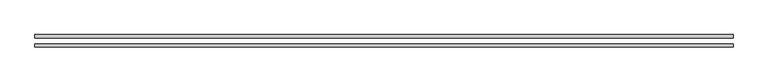
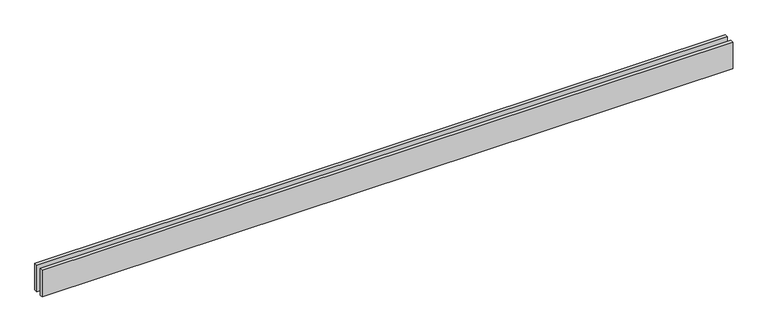
"""IFC4 building model written with IfcOpenShell, lengths in millimetres: proxy geometry."""

import ifcopenshell
import ifcopenshell.guid

model = None  # the IFC model being written
_history = None  # IfcOwnerHistory: only IFC2X3 demands one
_inside = {}  # id of a spatial element -> (the spatial element, [elements in it])
_under = {}  # id of a project, library or spatial element -> (it, [spatial elements below it])
_declared = {}  # id of a project -> (the project, [libraries it declares])
_typed = {}  # id of a type object -> (the type object, [elements of that type])
_made_of = {}  # id of a material, layer set ... -> (it, [elements and type objects made of it])


def new_model(schema):
    """Start an empty IFC model of exactly this schema.

    Asked for "IFC4X3", IfcOpenShell would pick the latest addendum, in which some entities
    have other attributes; the version numbers below select the first issue.
    IFC2X3 requires an IfcOwnerHistory on every rooted entity: one is made here for all.
    """
    global model, _history
    if schema == "IFC4X3":
        model = ifcopenshell.file(schema_version=(4, 3, 0, 0))
    else:
        model = ifcopenshell.file(schema=schema)
    _inside.clear()
    _under.clear()
    _declared.clear()
    _typed.clear()
    _made_of.clear()
    _history = None
    if model.schema == "IFC2X3":
        org = make("IfcOrganization", Name="unknown")
        user = make(
            "IfcPersonAndOrganization",
            ThePerson=make("IfcPerson", FamilyName="unknown"),
            TheOrganization=org,
        )
        app = make(
            "IfcApplication",
            ApplicationDeveloper=org,
            Version="unknown",
            ApplicationFullName="unknown",
            ApplicationIdentifier="unknown",
        )
        _history = make(
            "IfcOwnerHistory",
            OwningUser=user,
            OwningApplication=app,
            ChangeAction="ADDED",
            CreationDate=0,
        )
    return model


def make(cls, **values):
    """One entity of the class cls with the attributes given. An attribute that is None is left unset."""
    return model.create_entity(
        cls, **{name: value for name, value in values.items() if value is not None}
    )


def rooted(cls, **values):
    """An entity with a GlobalId (a new one), such as an element, a storey or a relation."""
    return make(cls, GlobalId=ifcopenshell.guid.new(), OwnerHistory=_history, **values)


def si_unit(unit_type, name, prefix=None):
    """IfcSIUnit, for example si_unit("LENGTHUNIT", "METRE", prefix="MILLI")."""
    return make("IfcSIUnit", UnitType=unit_type, Prefix=prefix, Name=name)


def assignment(units):
    """IfcUnitAssignment: the units of a project."""
    return None if units is None else make("IfcUnitAssignment", Units=units)


def point(xyz):
    """IfcCartesianPoint."""
    return None if xyz is None else make("IfcCartesianPoint", Coordinates=xyz)


def direction(xyz):
    """IfcDirection."""
    return None if xyz is None else make("IfcDirection", DirectionRatios=xyz)


def frame(location, z_axis=None, x_axis=None):
    """IfcAxis2Placement3D, a coordinate frame: its origin and axes. An axis left out is left unset."""
    return make(
        "IfcAxis2Placement3D",
        Location=point(location),
        Axis=direction(z_axis),
        RefDirection=direction(x_axis),
    )


def origin():
    """The frame at (0, 0, 0) with its axes left unset."""
    return frame((0.0, 0.0, 0.0))


def origin_with_axes():
    """The frame at (0, 0, 0) with the z axis (0, 0, 1) and the x axis (1, 0, 0) written out."""
    return frame((0.0, 0.0, 0.0), z_axis=(0.0, 0.0, 1.0), x_axis=(1.0, 0.0, 0.0))


def place(relative_to, where):
    """IfcLocalPlacement: puts the frame where relative to a parent placement (None: the world)."""
    return make(
        "IfcLocalPlacement", PlacementRelTo=relative_to, RelativePlacement=where
    )


def context(
    kind, dimensions, precision=None, world=None, true_north=None, identifier=None
):
    """IfcGeometricRepresentationContext, for example the 3D "Model" context."""
    return make(
        "IfcGeometricRepresentationContext",
        ContextIdentifier=identifier,
        ContextType=kind,
        CoordinateSpaceDimension=dimensions,
        Precision=precision,
        WorldCoordinateSystem=world,
        TrueNorth=true_north,
    )


def project(units=None, contexts=None):
    """IfcProject with its units and contexts."""
    return rooted(
        "IfcProject",
        Name="project",
        RepresentationContexts=contexts,
        UnitsInContext=assignment(units),
    )


def spatial(cls, under=None, at=None, **own):
    """A site, building, storey or space (cls), placed at a placement, below another one or the project."""
    s = rooted(cls, ObjectPlacement=at, **own)
    if under is not None:
        _under.setdefault(under.id(), (under, []))[1].append(s)
    return s


def polyline(points):
    """IfcPolyline through the points."""
    return make("IfcPolyline", Points=[point(p) for p in points])


def outline(outer, holes=None, kind="AREA"):
    """IfcArbitraryClosedProfileDef: a profile drawn as a closed curve; with holes, ...WithVoids."""
    if holes is None:
        return make("IfcArbitraryClosedProfileDef", ProfileType=kind, OuterCurve=outer)
    return make(
        "IfcArbitraryProfileDefWithVoids",
        ProfileType=kind,
        OuterCurve=outer,
        InnerCurves=holes,
    )


def extrude(swept, where, along, depth):
    """IfcExtrudedAreaSolid: the profile swept, set in the frame where, extruded along a direction by depth."""
    return make(
        "IfcExtrudedAreaSolid",
        SweptArea=swept,
        Position=where,
        ExtrudedDirection=direction(along),
        Depth=depth,
    )


def shape(context_of_items, identifier, shape_type, items):
    """IfcShapeRepresentation: the items that make up one representation, for example the "Body"."""
    return make(
        "IfcShapeRepresentation",
        ContextOfItems=context_of_items,
        RepresentationIdentifier=identifier,
        RepresentationType=shape_type,
        Items=items,
    )


def source(mapping_origin, context_of_items, identifier, shape_type, items):
    """IfcRepresentationMap: a shape defined once, which mapped items show again and again."""
    return make(
        "IfcRepresentationMap",
        MappingOrigin=mapping_origin,
        MappedRepresentation=shape(context_of_items, identifier, shape_type, items),
    )


def transform(
    local_origin,
    x_axis=None,
    y_axis=None,
    z_axis=None,
    scale=None,
    scale2=None,
    scale3=None,
    uniform=True,
):
    """IfcCartesianTransformationOperator3D, or its non-uniform kind. x_axis, y_axis, z_axis: its Axis1, 2, 3."""
    if uniform:
        return make(
            "IfcCartesianTransformationOperator3D",
            Axis1=direction(x_axis),
            Axis2=direction(y_axis),
            LocalOrigin=point(local_origin),
            Scale=scale,
            Axis3=direction(z_axis),
        )
    return make(
        "IfcCartesianTransformationOperator3DnonUniform",
        Axis1=direction(x_axis),
        Axis2=direction(y_axis),
        LocalOrigin=point(local_origin),
        Scale=scale,
        Axis3=direction(z_axis),
        Scale2=scale2,
        Scale3=scale3,
    )


def mapped(mapping_source, mapping_target):
    """IfcMappedItem: shows the shape of a source again, moved by a transform."""
    return make(
        "IfcMappedItem", MappingSource=mapping_source, MappingTarget=mapping_target
    )


def made_of(thing, what):
    """Note that an element or type object is made of a material, layer set ...; save() writes the relation."""
    if what is not None:
        _made_of.setdefault(what.id(), (what, []))[1].append(thing)
    return thing


def element(
    cls,
    number,
    at=None,
    inside=None,
    cuts=None,
    type_object=None,
    material=None,
    context=None,
    identifier="Body",
    shape_type=None,
    held_by="IfcProductDefinitionShape",
    body=None,
    shapes=None,
    **own,
):
    """One element of the class cls, such as IfcWall. Its Tag is "e" and its number.

    at: its placement. inside: the storey or other place that contains it. cuts: it is an
    opening in that element (IfcRelVoidsElement). A single representation is given by context,
    identifier, shape_type and body (its items); several are given by shapes. held_by: the class
    of the entity that holds the representations. save() writes the other relations.
    """
    e = rooted(cls, Tag="e%d" % number, ObjectPlacement=at, **own)
    if body is not None:
        shapes = [shape(context, identifier, shape_type, body)]
    if shapes is not None:
        e.Representation = make(held_by, Representations=shapes)
    if inside is not None:
        _inside.setdefault(inside.id(), (inside, []))[1].append(e)
    if cuts is not None:
        rooted(
            "IfcRelVoidsElement", RelatingBuildingElement=cuts, RelatedOpeningElement=e
        )
    if type_object is not None:
        _typed.setdefault(type_object.id(), (type_object, []))[1].append(e)
    return made_of(e, material)


def aggregate(whole, parts):
    """IfcRelAggregates: a whole, such as a stair, and the parts it consists of."""
    return rooted("IfcRelAggregates", RelatingObject=whole, RelatedObjects=parts)


def save(model, path):
    """Write the relations noted so far, then the file.

    IfcRelAggregates (storeys below a building ...), IfcRelContainedInSpatialStructure (elements
    in a storey), IfcRelDefinesByType, IfcRelAssociatesMaterial and IfcRelDeclares: one each for
    every whole, place, type object, material and project.
    """
    for whole, parts in _under.values():
        aggregate(whole, parts)
    for where, things in _inside.values():
        rooted(
            "IfcRelContainedInSpatialStructure",
            RelatedElements=things,
            RelatingStructure=where,
        )
    for kind, things in _typed.values():
        rooted("IfcRelDefinesByType", RelatedObjects=things, RelatingType=kind)
    for what, things in _made_of.values():
        rooted("IfcRelAssociatesMaterial", RelatedObjects=things, RelatingMaterial=what)
    for by, libraries in _declared.values():
        rooted("IfcRelDeclares", RelatingContext=by, RelatedDefinitions=libraries)
    model.write(path)


def generic_models_66b3c2f1(model_context):
    return source(origin(), model_context, "Body", "SweptSolid", [
        extrude(outline(polyline([(6141.6105079, 25.0), (0.0, 25.0), (0.0, 55.0), (6141.6105079, 55.0), (6141.6105079, 25.0)])), origin_with_axes(), (0.0, 0.0, 1.0), 250.0),
        extrude(outline(polyline([(6141.6105079, -55.0), (0.0, -55.0), (0.0, -25.0), (6141.6105079, -25.0), (6141.6105079, -55.0)])), origin_with_axes(), (0.0, 0.0, 1.0), 250.0),
    ])


if __name__ == "__main__":
    model = new_model("IFC4")
    model_context = context("Model", 3, world=origin())
    ifc_project = project(units=[si_unit("LENGTHUNIT", "METRE", prefix="MILLI")], contexts=[model_context])
    site = spatial("IfcSite", under=ifc_project)
    building = spatial("IfcBuilding", under=site)
    placement = place(None, origin())
    generic_models_shape = generic_models_66b3c2f1(model_context)
    element("IfcBuildingElementProxy", 1, Name="Generic Models", at=placement, inside=building, context=model_context, shape_type="MappedRepresentation", body=[
        mapped(generic_models_shape, transform((0.0, 0.0, 0.0), x_axis=(1.0, 0.0, 0.0), y_axis=(0.0, 1.0, 0.0), z_axis=(0.0, 0.0, 1.0))),
    ])
    save(model, "model.ifc")
